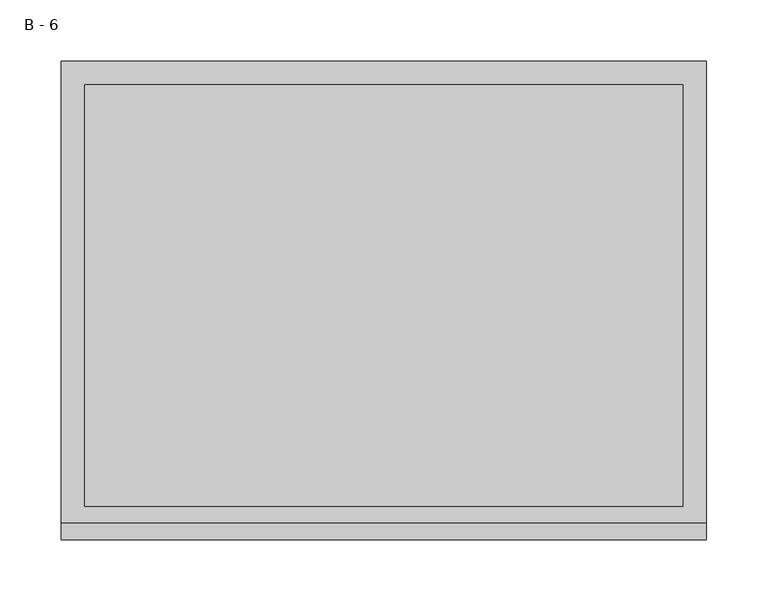
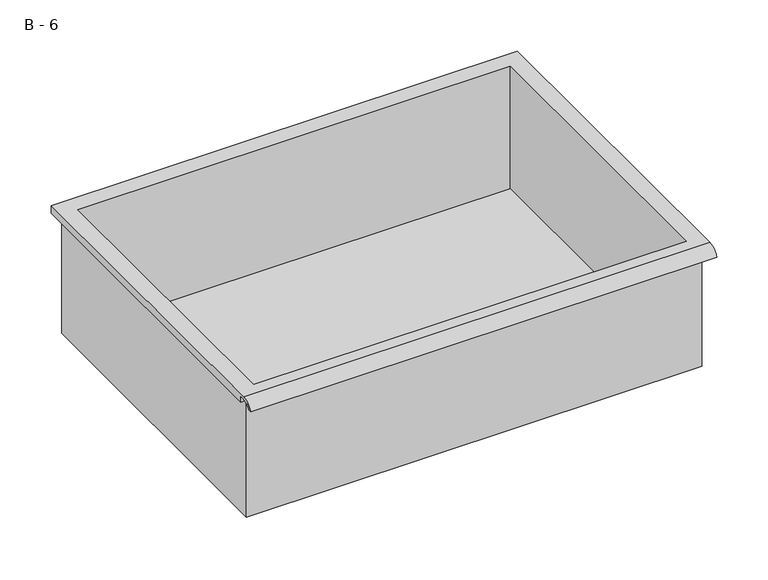
"""IFC4 building model written with IfcOpenShell, lengths in millimetres: furniture geometry, B - 6."""

from ifc_helpers import new_model, si_unit, frame, origin, place, context, project, spatial, polyline, circle_curve, source, transform, mapped, element, save
from ifc_brep_helpers import plane_surface, cylinder_surface, revolved_surface, advanced_brep


def b_6_986f3b2b(model_context):
    return source(origin(), model_context, "Body", "AdvancedBrep", [
        advanced_brep(
        [(-257.1076517, -176.2125, 266.6111), (257.2423483, -176.2125, 266.6111), (257.2423483, -176.2125, 406.3111), (263.5923483, -176.2125, 406.3111), (263.5923483, -176.2125, 412.6182341), (-263.4576517, -176.2125, 412.6182341), (-263.4576517, -176.2125, 406.3111), (-257.1076517, -176.2125, 406.3111), (257.2423483, 185.7375, 266.6111), (-257.1076517, 185.7375, 266.6111), (-257.1076517, 185.7375, 406.3111), (257.2423483, 185.7375, 406.3111), (263.5923483, -181.6070544, 415.8361), (263.5923483, 195.2625, 415.8361), (-263.4576517, 195.2625, 415.8361), (-263.4576517, -181.6070544, 415.8361), (244.5423483, -168.275, 415.8361), (-244.4076517, -168.275, 415.8361), (-244.4076517, 176.2125, 415.8361), (244.5423483, 176.2125, 415.8361), (263.5923483, -195.2625, 406.3111), (263.5923483, -191.8280601, 406.3111), (263.5923483, -180.4714815, 412.6182341), (263.5923483, 195.2625, 406.3111), (-263.4576517, 195.2625, 406.3111), (-263.4576517, -180.4714815, 412.6182341), (-263.4576517, -191.8280601, 406.3111), (-263.4576517, -195.2625, 406.3111), (-244.4076517, -168.275, 269.6372719), (244.5423483, -168.275, 269.6372719), (244.5423483, 176.2125, 269.6372719), (-244.4076517, 176.2125, 269.6372719)],
        [
            (0, 1),
            (1, 2),
            (2, 3),
            (3, 4),
            (4, 5),
            (5, 6),
            (6, 7),
            (7, 0),
            (8, 9),
            (9, 10),
            (10, 11),
            (11, 8),
            (0, 9),
            (8, 1),
            (11, 2),
            (12, 13),
            (13, 14),
            (14, 15),
            (15, 12),
            (16, 17),
            (17, 18),
            (18, 19),
            (19, 16),
            (7, 10),
            (12, 20, circle_curve(frame((263.5923483, -181.6070544, 401.2850859), z_axis=(1.0, 0.0, 0.0), x_axis=(0.0, 1.0, 0.0)), 14.5510141)),
            (20, 21),
            (21, 22, circle_curve(frame((263.5923483, -181.6070544, 401.2850859), z_axis=(-1.0, 0.0, 0.0), x_axis=(0.0, 1.0, 0.0)), 11.3898979)),
            (22, 4),
            (3, 23),
            (23, 13),
            (14, 24),
            (24, 6),
            (5, 25),
            (25, 26, circle_curve(frame((-263.4576517, -181.6070544, 401.2850859), z_axis=(1.0, 0.0, 0.0), x_axis=(0.0, 1.0, 0.0)), 11.3898979)),
            (26, 27),
            (27, 15, circle_curve(frame((-263.4576517, -181.6070544, 401.2850859), z_axis=(-1.0, 0.0, 0.0), x_axis=(0.0, 1.0, 0.0)), 14.5510141)),
            (27, 20),
            (26, 21),
            (25, 22),
            (24, 23),
            (28, 29),
            (29, 30),
            (30, 31),
            (31, 28),
            (28, 17),
            (16, 29),
            (19, 30),
            (18, 31),
        ],
        [
            plane_surface(frame((257.2423483, -176.2125, 266.6111), z_axis=(0.0, -1.0, 0.0), x_axis=(1.0, 0.0, 0.0))),
            plane_surface(frame((257.2423483, 185.7375, 266.6111), z_axis=(0.0, 1.0, 0.0), x_axis=(-1.0, 0.0, 0.0))),
            plane_surface(frame((-257.1076517, -176.2125, 266.6111), z_axis=(0.0, 0.0, -1.0), x_axis=(0.0, 1.0, 0.0))),
            plane_surface(frame((257.2423483, -176.2125, 266.6111), z_axis=(1.0, 0.0, 0.0), x_axis=(0.0, 1.0, 0.0))),
            plane_surface(frame((257.2423483, -176.2125, 415.8361), z_axis=(0.0, 0.0, 1.0), x_axis=(0.0, 1.0, 0.0))),
            plane_surface(frame((-257.1076517, -176.2125, 415.8361), z_axis=(-1.0, 0.0, 0.0), x_axis=(0.0, 1.0, 0.0))),
            plane_surface(frame((263.5923483, 195.2625, 415.8361), z_axis=(1.0, 0.0, 0.0), x_axis=(0.0, -1.0, 0.0))),
            plane_surface(frame((-263.4576517, 195.2625, 415.8361), z_axis=(-1.0, 0.0, 0.0), x_axis=(0.0, 1.0, 0.0))),
            cylinder_surface(frame((-263.4576517, -181.6070544, 401.2850859), z_axis=(1.0, 0.0, 0.0), x_axis=(0.0, 1.0, 0.0)), 14.5510141),
            plane_surface(frame((263.5923483, -195.2625, 406.3111), z_axis=(0.0, -7.271527215961458e-12, -1.0), x_axis=(-1.0, 0.0, 0.0))),
            revolved_surface(polyline([(-263.4576517, -170.21715650000002, 401.2850859), (263.59234829999997, -170.21715650000002, 401.2850859)]), (-263.4576517, -181.6070544, 401.2850859), (-1.0, 0.0, 0.0)),
            plane_surface(frame((263.5923483, -180.4714815, 412.6182341), z_axis=(0.0, -1.7988537739368175e-11, -1.0), x_axis=(-1.0, 0.0, 0.0))),
            plane_surface(frame((263.5923483, -176.2125, 406.3111), z_axis=(0.0, 0.0, -1.0), x_axis=(-1.0, 0.0, 0.0))),
            plane_surface(frame((263.5923483, 195.2625, 406.3111), z_axis=(0.0, 1.0, 0.0), x_axis=(-1.0, 0.0, 0.0))),
            plane_surface(frame((244.5423483, -168.275, 269.6372719), z_axis=(0.0, 0.0, 1.0), x_axis=(-1.0, 0.0, 0.0))),
            plane_surface(frame((-244.4076517, -168.275, 415.8361), z_axis=(0.0, 1.0, 0.0), x_axis=(0.0, 0.0, -1.0))),
            plane_surface(frame((244.5423483, -168.275, 415.8361), z_axis=(-1.0, 0.0, 0.0), x_axis=(0.0, 0.0, -1.0))),
            plane_surface(frame((244.5423483, 176.2125, 415.8361), z_axis=(0.0, -1.0, 0.0), x_axis=(0.0, 0.0, -1.0))),
            plane_surface(frame((-244.4076517, 176.2125, 415.8361), z_axis=(1.0, 0.0, 0.0), x_axis=(0.0, 0.0, -1.0))),
        ],
        [
            (0, [[1, 2, 3, 4, 5, 6, 7, 8]]),
            (1, [[9, 10, 11, 12]]),
            (2, [[-1, 13, -9, 14]]),
            (3, [[-14, -12, 15, -2]]),
            (4, [[16, 17, 18, 19], [20, 21, 22, 23]]),
            (5, [[-13, -8, 24, -10]]),
            (6, [[-16, 25, 26, 27, 28, -4, 29, 30]]),
            (7, [[31, 32, -6, 33, 34, 35, 36, -18]]),
            (8, [[-25, -19, -36, 37]]),
            (9, [[-26, -37, -35, 38]]),
            (10, [[-27, -38, -34, 39]]),
            (11, [[-28, -39, -33, -5]]),
            (12, [[-29, -3, -15, -11, -24, -7, -32, 40]]),
            (13, [[-30, -40, -31, -17]]),
            (14, [[41, 42, 43, 44]]),
            (15, [[-41, 45, -20, 46]]),
            (16, [[-42, -46, -23, 47]]),
            (17, [[-43, -47, -22, 48]]),
            (18, [[-44, -48, -21, -45]]),
        ],
    ),
    ])


if __name__ == "__main__":
    model = new_model("IFC4")
    model_context = context("Model", 3, world=origin())
    ifc_project = project(units=[si_unit("LENGTHUNIT", "METRE", prefix="MILLI")], contexts=[model_context])
    site = spatial("IfcSite", under=ifc_project)
    building = spatial("IfcBuilding", under=site)
    placement = place(None, origin())
    b_6_shape = b_6_986f3b2b(model_context)
    element("IfcFurniture", 1, ObjectType="B - 6", at=placement, inside=building, context=model_context, shape_type="MappedRepresentation", body=[
        mapped(b_6_shape, transform((0.0, 0.0, 0.0), x_axis=(1.0, 0.0, 0.0), y_axis=(0.0, 1.0, 0.0), z_axis=(0.0, 0.0, 1.0))),
    ])
    save(model, "model.ifc")
